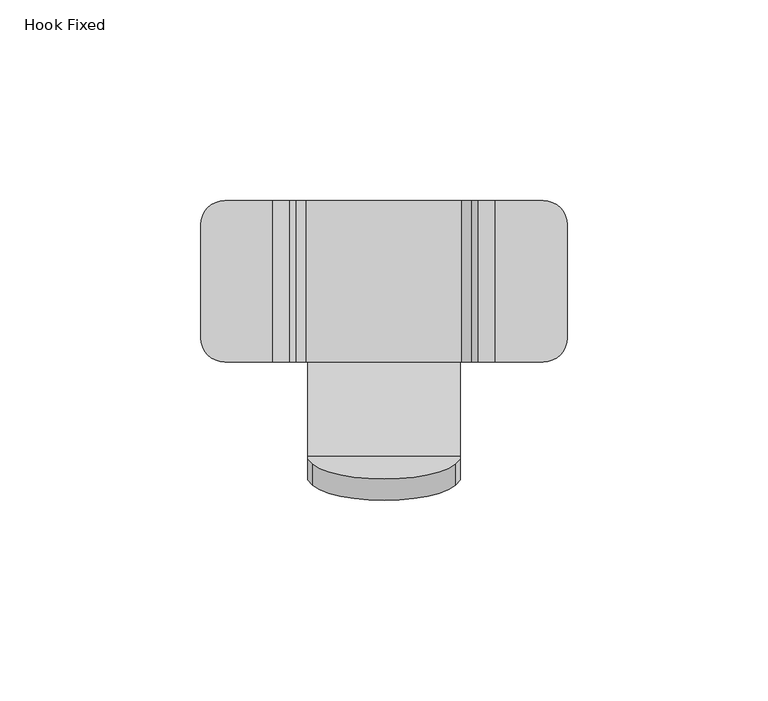
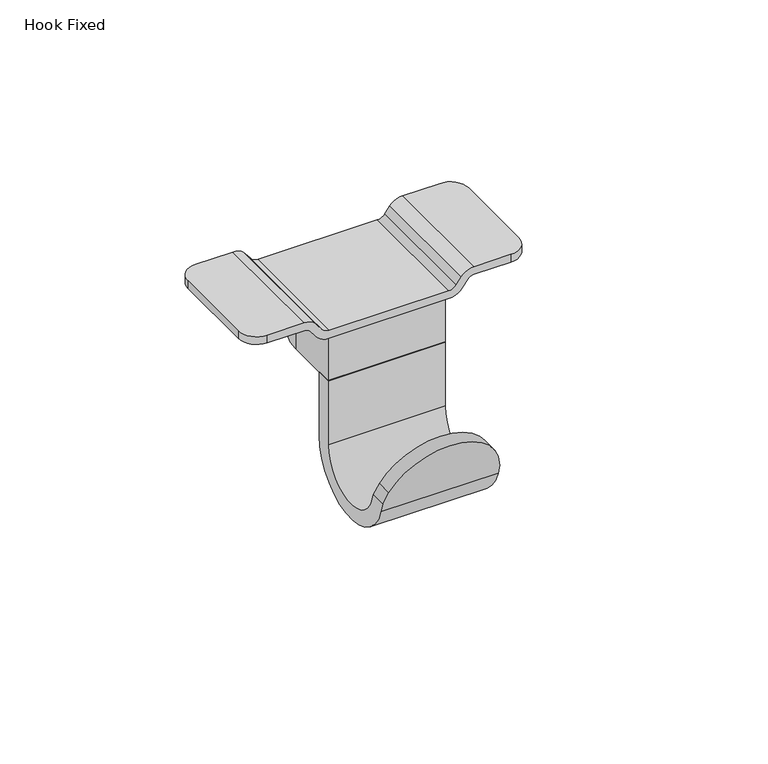
"""IFC4 building model written with IfcOpenShell, lengths in millimetres: furniture geometry, Hook Fixed."""

from ifc_helpers import new_model, si_unit, point, frame, frame_2d, origin, place, context, project, spatial, polyline, circle_curve, ellipse_curve, trimmed, segment, composite_curve, outline, extrude, source, transform, mapped, element, save
from ifc_brep_helpers import plane_surface, cylinder_surface, revolved_surface, advanced_brep


def hook_fixed_8ffd7ba5(model_context):
    return source(origin(), model_context, "Body", "SolidModel", [
        advanced_brep(
        [(-27.5980239, -20.6347747, -2.6500001), (-25.6604801, -20.6347747, -3.6100903), (-23.8517811, -20.6347747, -5.9859468), (-19.6056227, -20.6347747, -8.09), (19.6056227, -20.6347747, -8.09), (23.8517811, -20.6347747, -5.9859468), (25.6604801, -20.6347747, -3.6100903), (27.5980239, -20.6347747, -2.6500001), (39.660002, -20.6347747, -2.6500001), (39.660002, -20.6347747, 0.0), (27.6796864, -20.6347747, 0.0), (23.502493, -20.6347747, -2.0698781), (21.8496232, -20.6347747, -4.2410389), (19.4300159, -20.6347747, -5.44), (-19.4300159, -20.6347747, -5.44), (-21.8496232, -20.6347747, -4.2410389), (-23.502493, -20.6347747, -2.0698781), (-27.6796864, -20.6347747, 0.0), (-39.660002, -20.6347747, 0.0), (-39.660002, -20.6347747, -2.6500001), (-27.6796864, 19.6152258, 0.0), (-23.502493, 19.6152258, -2.0698781), (-21.8496232, 19.6152258, -4.2410389), (-19.4300159, 19.6152258, -5.44), (19.4300159, 19.6152258, -5.44), (21.8496232, 19.6152258, -4.2410389), (23.502493, 19.6152258, -2.0698781), (27.6796864, 19.6152258, 0.0), (39.660002, 19.6152258, 0.0), (39.660002, 19.6152258, -2.6500001), (27.5980239, 19.6152258, -2.6500001), (25.6604801, 19.6152258, -3.6100903), (23.8517811, 19.6152258, -5.9859468), (19.6056227, 19.6152258, -8.09), (-19.6056227, 19.6152258, -8.09), (-23.8517811, 19.6152258, -5.9859468), (-25.6604801, 19.6152258, -3.6100903), (-27.5980239, 19.6152258, -2.6500001), (-39.660002, 19.6152258, -2.6500001), (-39.660002, 19.6152258, 0.0), (-45.6599991, -14.6347776, 0.0), (-45.6599991, 13.6152286, 0.0), (-45.6599991, 13.6152286, -2.6500001), (-45.6599991, -14.6347776, -2.6500001), (45.6599991, 13.6152286, -2.6500001), (45.6599991, -14.6347776, -2.6500001), (45.6599991, 13.6152286, 0.0), (45.6599991, -14.6347776, 0.0)],
        [
            (0, 1, circle_curve(frame((-27.5980239, -20.6347747, -5.0851093), z_axis=(0.0, 1.0, 0.0), x_axis=(1.0, 0.0, 0.0)), 2.4351093)),
            (1, 2),
            (2, 3, circle_curve(frame((-19.6056227, -20.6347747, -2.753419), z_axis=(0.0, -1.0, 0.0), x_axis=(1.0, 0.0, 0.0)), 5.3365811)),
            (3, 4),
            (4, 5, circle_curve(frame((19.6056227, -20.6347747, -2.753419), z_axis=(0.0, -1.0, 0.0), x_axis=(-1.0, 0.0, 0.0)), 5.3365811)),
            (5, 6),
            (6, 7, circle_curve(frame((27.5980239, -20.6347747, -5.0851093), z_axis=(0.0, 1.0, 0.0), x_axis=(-1.0, 0.0, 0.0)), 2.4351093)),
            (7, 8),
            (8, 9),
            (9, 10),
            (10, 11, circle_curve(frame((27.6796864, -20.6347747, -5.2499082), z_axis=(0.0, -1.0, 0.0), x_axis=(-1.0, 0.0, 0.0)), 5.2499082)),
            (11, 12),
            (12, 13, circle_curve(frame((19.4300159, -20.6347747, -2.3990308), z_axis=(0.0, 1.0, 0.0), x_axis=(-1.0, 0.0, 0.0)), 3.0409692)),
            (13, 14),
            (14, 15, circle_curve(frame((-19.4300159, -20.6347747, -2.3990308), z_axis=(0.0, 1.0, 0.0), x_axis=(1.0, 0.0, 0.0)), 3.0409692)),
            (15, 16),
            (16, 17, circle_curve(frame((-27.6796864, -20.6347747, -5.2499082), z_axis=(0.0, -1.0, 0.0), x_axis=(1.0, 0.0, 0.0)), 5.2499082)),
            (17, 18),
            (18, 19),
            (19, 0),
            (20, 21, circle_curve(frame((-27.6796864, 19.6152258, -5.2499082), z_axis=(0.0, 1.0, 0.0), x_axis=(1.0, 0.0, 0.0)), 5.2499082)),
            (21, 22),
            (22, 23, circle_curve(frame((-19.4300159, 19.6152258, -2.3990308), z_axis=(0.0, -1.0, 0.0), x_axis=(1.0, 0.0, 0.0)), 3.0409692)),
            (23, 24),
            (24, 25, circle_curve(frame((19.4300159, 19.6152258, -2.3990308), z_axis=(0.0, -1.0, 0.0), x_axis=(-1.0, 0.0, 0.0)), 3.0409692)),
            (25, 26),
            (26, 27, circle_curve(frame((27.6796864, 19.6152258, -5.2499082), z_axis=(0.0, 1.0, 0.0), x_axis=(-1.0, 0.0, 0.0)), 5.2499082)),
            (27, 28),
            (28, 29),
            (29, 30),
            (30, 31, circle_curve(frame((27.5980239, 19.6152258, -5.0851093), z_axis=(0.0, -1.0, 0.0), x_axis=(-1.0, 0.0, 0.0)), 2.4351093)),
            (31, 32),
            (32, 33, circle_curve(frame((19.6056227, 19.6152258, -2.753419), z_axis=(0.0, 1.0, 0.0), x_axis=(-1.0, 0.0, 0.0)), 5.3365811)),
            (33, 34),
            (34, 35, circle_curve(frame((-19.6056227, 19.6152258, -2.753419), z_axis=(0.0, 1.0, 0.0), x_axis=(1.0, 0.0, 0.0)), 5.3365811)),
            (35, 36),
            (36, 37, circle_curve(frame((-27.5980239, 19.6152258, -5.0851093), z_axis=(0.0, -1.0, 0.0), x_axis=(1.0, 0.0, 0.0)), 2.4351093)),
            (37, 38),
            (38, 39),
            (39, 20),
            (40, 41),
            (41, 42),
            (42, 43),
            (43, 40),
            (37, 0),
            (19, 43, circle_curve(frame((-39.660002, -14.6347776, -2.6500001), z_axis=(0.0, 0.0, -1.0), x_axis=(1.0, 0.0, 0.0)), 5.9999971)),
            (42, 38, circle_curve(frame((-39.660002, 13.6152286, -2.6500001), z_axis=(0.0, 0.0, -1.0), x_axis=(1.0, 0.0, 0.0)), 5.9999971)),
            (36, 1),
            (35, 2),
            (34, 3),
            (33, 4),
            (32, 5),
            (31, 6),
            (30, 7),
            (29, 44, circle_curve(frame((39.660002, 13.6152286, -2.6500001), z_axis=(0.0, 0.0, -1.0), x_axis=(-1.0, 0.0, 0.0)), 5.9999971)),
            (44, 45),
            (45, 8, circle_curve(frame((39.660002, -14.6347776, -2.6500001), z_axis=(0.0, 0.0, -1.0), x_axis=(-1.0, 0.0, 0.0)), 5.9999971)),
            (44, 46),
            (46, 47),
            (47, 45),
            (27, 10),
            (9, 47, circle_curve(frame((39.660002, -14.6347776, 0.0), z_axis=(0.0, 0.0, 1.0), x_axis=(-1.0, 0.0, 0.0)), 5.9999971)),
            (46, 28, circle_curve(frame((39.660002, 13.6152286, 0.0), z_axis=(0.0, 0.0, 1.0), x_axis=(-1.0, 0.0, 0.0)), 5.9999971)),
            (26, 11),
            (25, 12),
            (24, 13),
            (23, 14),
            (22, 15),
            (21, 16),
            (20, 17),
            (39, 41, circle_curve(frame((-39.660002, 13.6152286, 0.0), z_axis=(0.0, 0.0, 1.0), x_axis=(1.0, 0.0, 0.0)), 5.9999971)),
            (40, 18, circle_curve(frame((-39.660002, -14.6347776, 0.0), z_axis=(0.0, 0.0, 1.0), x_axis=(1.0, 0.0, 0.0)), 5.9999971)),
        ],
        [
            plane_surface(frame((-45.6599991, -20.6347747, -2.6500001), z_axis=(0.0, -1.0, 0.0), x_axis=(0.0, 0.0, -1.0))),
            plane_surface(frame((-45.6599991, 19.6152258, -2.6500001), z_axis=(0.0, 1.0, 0.0), x_axis=(0.0, 0.0, 1.0))),
            plane_surface(frame((-45.6599991, -20.6347747, 0.0), z_axis=(-1.0, 0.0, 0.0), x_axis=(0.0, 1.0, 0.0))),
            plane_surface(frame((-45.6599991, -20.6347747, -2.6500001), z_axis=(0.0, 0.0, -1.0), x_axis=(0.0, 1.0, 0.0))),
            revolved_surface(polyline([(-25.1629146, 19.6152258, -5.0851093), (-25.1629146, -20.634774699999998, -5.0851093)]), (-27.5980239, 19.6152258, -5.0851093), (0.0, 1.0, 0.0)),
            plane_surface(frame((-25.6604801, -20.6347747, -3.6100903), z_axis=(-0.7956701730314608, 0.0, -0.6057301179139811), x_axis=(0.0, 1.0, 0.0))),
            cylinder_surface(frame((-19.6056227, 19.6152258, -2.753419), z_axis=(0.0, -1.0, 0.0), x_axis=(1.0, 0.0, 0.0)), 5.3365811),
            plane_surface(frame((-19.6056227, -20.6347747, -8.09), z_axis=(0.0, 0.0, -1.0), x_axis=(0.0, 1.0, 0.0))),
            cylinder_surface(frame((19.6056227, 19.6152258, -2.753419), z_axis=(0.0, -1.0, 0.0), x_axis=(-1.0, 0.0, 0.0)), 5.3365811),
            plane_surface(frame((23.8517811, -20.6347747, -5.9859468), z_axis=(0.7956701730314587, 0.0, -0.6057301179139837), x_axis=(0.0, 1.0, 0.0))),
            revolved_surface(polyline([(25.1629146, 19.6152258, -5.0851093), (25.1629146, -20.634774699999998, -5.0851093)]), (27.5980239, 19.6152258, -5.0851093), (0.0, 1.0, 0.0)),
            plane_surface(frame((27.5980239, -20.6347747, -2.6500001), z_axis=(0.0, 0.0, -1.0), x_axis=(0.0, 1.0, 0.0))),
            plane_surface(frame((45.6599991, -20.6347747, -2.6500001), z_axis=(1.0, 0.0, 0.0), x_axis=(0.0, 1.0, 0.0))),
            plane_surface(frame((45.6599991, -20.6347747, 0.0), z_axis=(0.0, 0.0, 1.0), x_axis=(0.0, 1.0, 0.0))),
            cylinder_surface(frame((27.6796864, 19.6152258, -5.2499082), z_axis=(0.0, -1.0, 0.0), x_axis=(-1.0, 0.0, 0.0)), 5.2499082),
            plane_surface(frame((23.502493, -20.6347747, -2.0698781), z_axis=(-0.7956698022815228, 0.0, 0.6057306049204402), x_axis=(0.0, 1.0, 0.0))),
            revolved_surface(polyline([(16.3890467, 19.6152258, -2.3990308), (16.3890467, -20.634774699999998, -2.3990308)]), (19.4300159, 19.6152258, -2.3990308), (0.0, 1.0, 0.0)),
            plane_surface(frame((19.4300159, -20.6347747, -5.44), z_axis=(0.0, 0.0, 1.0), x_axis=(0.0, 1.0, 0.0))),
            revolved_surface(polyline([(-16.3890467, 19.6152258, -2.3990308), (-16.3890467, -20.634774699999998, -2.3990308)]), (-19.4300159, 19.6152258, -2.3990308), (0.0, 1.0, 0.0)),
            plane_surface(frame((-21.8496232, -20.6347747, -4.2410389), z_axis=(0.7956698022815258, 0.0, 0.6057306049204363), x_axis=(0.0, 1.0, 0.0))),
            cylinder_surface(frame((-27.6796864, 19.6152258, -5.2499082), z_axis=(0.0, -1.0, 0.0), x_axis=(1.0, 0.0, 0.0)), 5.2499082),
            plane_surface(frame((-27.6796864, -20.6347747, 0.0), z_axis=(0.0, 0.0, 1.0), x_axis=(0.0, 1.0, 0.0))),
            cylinder_surface(frame((-39.660002, 13.6152286, -23.8529083), z_axis=(0.0, 0.0, -1.0), x_axis=(1.0, 0.0, 0.0)), 5.9999971),
            cylinder_surface(frame((-39.660002, -14.6347776, 33.9416926), z_axis=(0.0, 0.0, -1.0), x_axis=(1.0, 0.0, 0.0)), 5.9999971),
            cylinder_surface(frame((39.660002, 13.6152286, 33.9416926), z_axis=(0.0, 0.0, -1.0), x_axis=(-1.0, 0.0, 0.0)), 5.9999971),
            cylinder_surface(frame((39.660002, -14.6347776, 33.9416926), z_axis=(0.0, 0.0, -1.0), x_axis=(-1.0, 0.0, 0.0)), 5.9999971),
        ],
        [
            (0, [[1, 2, 3, 4, 5, 6, 7, 8, 9, 10, 11, 12, 13, 14, 15, 16, 17, 18, 19, 20]]),
            (1, [[21, 22, 23, 24, 25, 26, 27, 28, 29, 30, 31, 32, 33, 34, 35, 36, 37, 38, 39, 40]]),
            (2, [[41, 42, 43, 44]]),
            (3, [[45, -20, 46, -43, 47, -38]]),
            (4, [[-1, -45, -37, 48]]),
            (5, [[-2, -48, -36, 49]]),
            (6, [[-3, -49, -35, 50]]),
            (7, [[-4, -50, -34, 51]]),
            (8, [[-5, -51, -33, 52]]),
            (9, [[-6, -52, -32, 53]]),
            (10, [[-7, -53, -31, 54]]),
            (11, [[-54, -30, 55, 56, 57, -8]]),
            (12, [[-56, 58, 59, 60]]),
            (13, [[61, -10, 62, -59, 63, -28]]),
            (14, [[-11, -61, -27, 64]]),
            (15, [[-12, -64, -26, 65]]),
            (16, [[-13, -65, -25, 66]]),
            (17, [[-14, -66, -24, 67]]),
            (18, [[-15, -67, -23, 68]]),
            (19, [[-16, -68, -22, 69]]),
            (20, [[-17, -69, -21, 70]]),
            (21, [[-70, -40, 71, -41, 72, -18]]),
            (22, [[-39, -47, -42, -71]]),
            (23, [[-19, -72, -44, -46]]),
            (24, [[-29, -63, -58, -55]]),
            (25, [[-9, -57, -60, -62]]),
        ],
    ),
        advanced_brep(
        [(-19.05, -19.3265347, -45.6969079), (-19.05, -19.3265347, -23.8529083), (-19.05, -14.246535, -23.8529083), (-19.05, -14.246535, -45.6154404), (-19.05, -49.0545453, -50.8137322), (-19.05, -50.0510307, -47.5518837), (-19.05, -44.7392633, -47.5518837), (-19.05, -44.1723979, -49.4074345), (19.05, -19.3265347, -45.6969079), (19.05, -44.1723979, -49.4074345), (19.05, -44.7392633, -47.5518837), (19.05, -50.0510307, -47.5518837), (19.05, -49.0545453, -50.8137322), (19.05, -14.246535, -45.6154404), (19.05, -14.246535, -23.8529083), (19.05, -19.3265347, -23.8529083), (-17.7953277, -46.0649079, -43.2125811), (17.7953277, -46.0649079, -43.2125811), (17.7953277, -51.3766753, -43.2125811), (-17.7953277, -51.3766753, -43.2125811)],
        [
            (0, 1),
            (1, 2),
            (2, 3),
            (3, 4, circle_curve(frame((-19.05, -32.0387013, -45.6154404), z_axis=(-1.0, 0.0, 0.0), x_axis=(0.0, -1.0, 0.0)), 17.7921664)),
            (4, 5),
            (5, 6),
            (6, 7),
            (7, 0, circle_curve(frame((-19.05, -32.0265347, -45.6969079), z_axis=(1.0, 0.0, 0.0), x_axis=(0.0, -1.0, 0.0)), 12.7)),
            (8, 9, circle_curve(frame((19.05, -32.0265347, -45.6969079), z_axis=(-1.0, 0.0, 0.0), x_axis=(0.0, -1.0, 0.0)), 12.7)),
            (9, 10),
            (10, 11),
            (11, 12),
            (12, 13, circle_curve(frame((19.05, -32.0387013, -45.6154404), z_axis=(1.0, 0.0, 0.0), x_axis=(0.0, -1.0, 0.0)), 17.7921664)),
            (13, 14),
            (14, 15),
            (15, 8),
            (0, 8),
            (15, 1),
            (14, 2),
            (13, 3),
            (9, 7),
            (6, 16, ellipse_curve(frame((7.502335, -43.1120813, -52.8782248), z_axis=(0.0, 0.9563671794316492, 0.29216744874464007), x_axis=(0.0, 0.29216744874463974, -0.9563671794316492)), 28.3168359, 27.0812925)),
            (16, 17, ellipse_curve(frame((0.0, -43.9877786, -50.0117585), z_axis=(0.0, 0.9563671794316492, 0.29216744874464007), x_axis=(0.0, 0.29216744874463974, -0.9563671794316492)), 19.9191277, 19.05)),
            (17, 10, ellipse_curve(frame((-7.502335, -43.1120813, -52.8782248), z_axis=(0.0, 0.9563671794316492, 0.29216744874464007), x_axis=(0.0, 0.29216744874463974, -0.9563671794316492)), 28.3168359, 27.0812925)),
            (12, 4),
            (11, 18, ellipse_curve(frame((-7.502335, -48.4238487, -52.8782248), z_axis=(0.0, -0.9563671794316491, -0.2921674487446405), x_axis=(0.0, 0.29216744874464, -0.9563671794316491)), 28.3168359, 27.0812925)),
            (18, 19, ellipse_curve(frame((0.0, -49.299546, -50.0117585), z_axis=(0.0, -0.9563671794316491, -0.2921674487446405), x_axis=(0.0, 0.29216744874464, -0.9563671794316491)), 19.9191277, 19.05)),
            (19, 5, ellipse_curve(frame((7.502335, -48.4238487, -52.8782248), z_axis=(0.0, -0.9563671794316491, -0.2921674487446405), x_axis=(0.0, 0.29216744874464, -0.9563671794316491)), 28.3168359, 27.0812925)),
            (16, 19),
            (18, 17),
        ],
        [
            plane_surface(frame((-19.05, -19.3265347, -23.8529083), z_axis=(-1.0, 0.0, 0.0), x_axis=(0.0, 0.0, 1.0))),
            plane_surface(frame((19.05, -19.3265347, -23.8529083), z_axis=(1.0, 0.0, 0.0), x_axis=(0.0, 0.0, -1.0))),
            plane_surface(frame((-19.05, -19.3265347, -45.6969079), z_axis=(0.0, -1.0, 0.0), x_axis=(1.0, 0.0, 0.0))),
            plane_surface(frame((-19.05, -19.3265347, -23.8529083), z_axis=(0.0, 0.0, 1.0), x_axis=(1.0, 0.0, 0.0))),
            plane_surface(frame((-19.05, -14.246535, -23.8529083), z_axis=(0.0, 1.0, 0.0), x_axis=(1.0, 0.0, 0.0))),
            plane_surface(frame((-19.05, -49.9299965, -30.5607821), z_axis=(0.0, 0.9563671794316492, 0.29216744874464007), x_axis=(1.0, 0.0, 0.0))),
            revolved_surface(polyline([(19.05, -44.7265347, -45.6969079), (-19.05, -44.7265347, -45.6969079)]), (19.05, -32.0265347, -45.6969079), (1.0, 0.0, 0.0)),
            cylinder_surface(frame((19.05, -32.0387013, -45.6154404), z_axis=(-1.0, 0.0, 0.0), x_axis=(0.0, -1.0, 0.0)), 17.7921664),
            plane_surface(frame((-19.05, -49.0545453, -50.8137322), z_axis=(0.0, -0.9563671794316491, -0.2921674487446405), x_axis=(1.0, 0.0, 0.0))),
            cylinder_surface(frame((0.0, -32.3878752, -50.0117585), z_axis=(0.0, 1.0, 0.0), x_axis=(1.0, 0.0, 0.0)), 19.05),
            cylinder_surface(frame((-7.502335, -32.3878752, -52.8782248), z_axis=(0.0, 1.0, 0.0), x_axis=(-1.0, 0.0, 0.0)), 27.0812925),
            cylinder_surface(frame((7.502335, -32.3878752, -52.8782248), z_axis=(0.0, 1.0, 0.0), x_axis=(1.0, 0.0, 0.0)), 27.0812925),
        ],
        [
            (0, [[1, 2, 3, 4, 5, 6, 7, 8]]),
            (1, [[9, 10, 11, 12, 13, 14, 15, 16]]),
            (2, [[-1, 17, -16, 18]]),
            (3, [[-2, -18, -15, 19]]),
            (4, [[-3, -19, -14, 20]]),
            (5, [[21, -7, 22, 23, 24, -10]]),
            (6, [[-8, -21, -9, -17]]),
            (7, [[-4, -20, -13, 25]]),
            (8, [[-25, -12, 26, 27, 28, -5]]),
            (9, [[29, -27, 30, -23]]),
            (10, [[-30, -26, -11, -24]]),
            (11, [[-29, -22, -6, -28]]),
        ],
    ),
        extrude(outline(composite_curve([segment(polyline([(19.05, -19.3265347), (-19.05, -19.3265347), (-19.05, -1.0385351)]), True, "CONTINUOUS"), segment(trimmed(circle_curve(frame_2d((0.0, -1.0385351)), 19.05), [point((-19.05, -1.0385351))], [point((19.05, -1.0385351))], False, "CARTESIAN"), True, "CONTINUOUS"), segment(polyline([(19.05, -1.0385351), (19.05, -19.3265347)]), True, "CONTINUOUS")], self_intersect=False)), frame((0.0, 0.0, -23.8529083), z_axis=(0.0, 0.0, 1.0), x_axis=(1.0, 0.0, 0.0)), (0.0, 0.0, 1.0), 15.7479986),
    ])


if __name__ == "__main__":
    model = new_model("IFC4")
    model_context = context("Model", 3, world=origin())
    ifc_project = project(units=[si_unit("LENGTHUNIT", "METRE", prefix="MILLI")], contexts=[model_context])
    site = spatial("IfcSite", under=ifc_project)
    building = spatial("IfcBuilding", under=site)
    placement = place(None, origin())
    hook_fixed_shape = hook_fixed_8ffd7ba5(model_context)
    element("IfcFurniture", 1, ObjectType="Hook Fixed", at=placement, inside=building, context=model_context, shape_type="MappedRepresentation", body=[
        mapped(hook_fixed_shape, transform((0.0, 0.0, 0.0), x_axis=(1.0, 0.0, 0.0), y_axis=(0.0, 1.0, 0.0), z_axis=(0.0, 0.0, 1.0))),
    ])
    save(model, "model.ifc")
